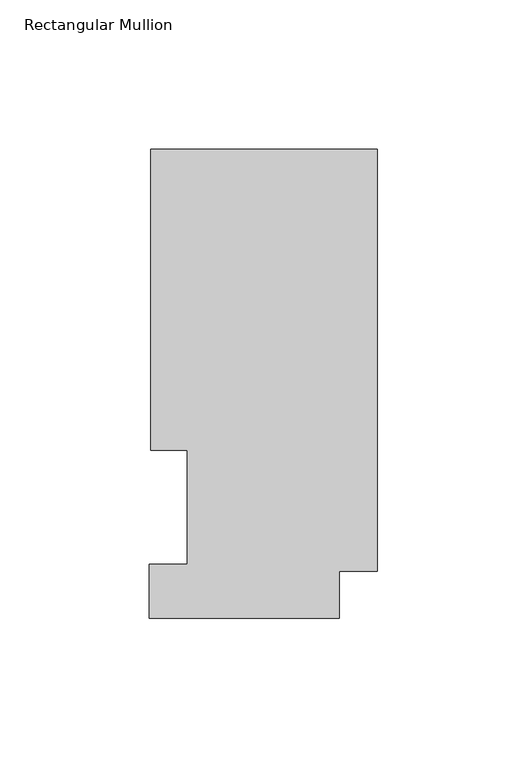
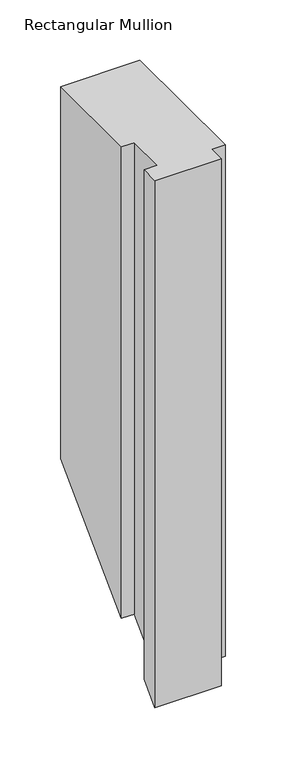
"""IFC4 building model written with IfcOpenShell, lengths in millimetres: member geometry, Rectangular Mullion."""

from ifc_helpers import new_model, si_unit, origin, place, context, project, spatial, faceted_brep, source, transform, mapped, element, save


def rectangular_mullion_2d738099(model_context):
    return source(origin(), model_context, "Body", "Brep", [
        faceted_brep([(-75.7936, 157.3395063, 0.0), (-75.7936, 56.6539063, 0.0), (-63.5, 56.6539063, 0.0), (-63.5, 18.5539063, 0.0), (-76.2, 18.5539063, 0.0), (-76.2, 0.5199063, 0.0), (-12.7, 0.5199063, 0.0), (-12.7, 16.1663063, 0.0), (0.0, 16.1663063, 0.0), (0.0, 157.3395063, 0.0), (-75.7936, 157.3395063, -376.5565875), (-75.7936, 56.6539063, -477.2421875), (-63.5, 56.6539063, -477.2421875), (-63.5, 18.5539063, -515.3421875), (-76.2, 18.5539063, -515.3421875), (-76.2, 0.5199063, -533.3761875), (-12.7, 0.5199063, -533.3761875), (-12.7, 16.1663063, -517.7297875), (0.0, 16.1663063, -517.7297875), (0.0, 157.3395063, -376.5565875)], [[[0, 1, 2, 3, 4, 5, 6, 7, 8, 9]], [[1, 0, 10, 11]], [[2, 1, 11, 12]], [[3, 2, 12, 13]], [[4, 3, 13, 14]], [[5, 4, 14, 15]], [[6, 5, 15, 16]], [[7, 6, 16, 17]], [[8, 7, 17, 18]], [[9, 8, 18, 19]], [[0, 9, 19, 10]], [[10, 19, 18, 17, 16, 15, 14, 13, 12, 11]]]),
    ])


if __name__ == "__main__":
    model = new_model("IFC4")
    model_context = context("Model", 3, world=origin())
    ifc_project = project(units=[si_unit("LENGTHUNIT", "METRE", prefix="MILLI")], contexts=[model_context])
    site = spatial("IfcSite", under=ifc_project)
    building = spatial("IfcBuilding", under=site)
    placement = place(None, origin())
    rectangular_mullion_shape = rectangular_mullion_2d738099(model_context)
    element("IfcMember", 1, ObjectType="Rectangular Mullion", at=placement, inside=building, context=model_context, shape_type="MappedRepresentation", body=[
        mapped(rectangular_mullion_shape, transform((0.0, 0.0, 0.0), x_axis=(1.0, 0.0, 0.0), y_axis=(0.0, 1.0, 0.0), z_axis=(0.0, 0.0, 1.0))),
    ])
    save(model, "model.ifc")
